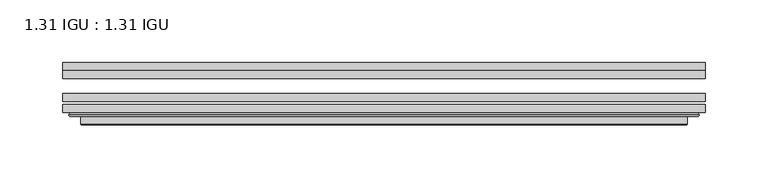
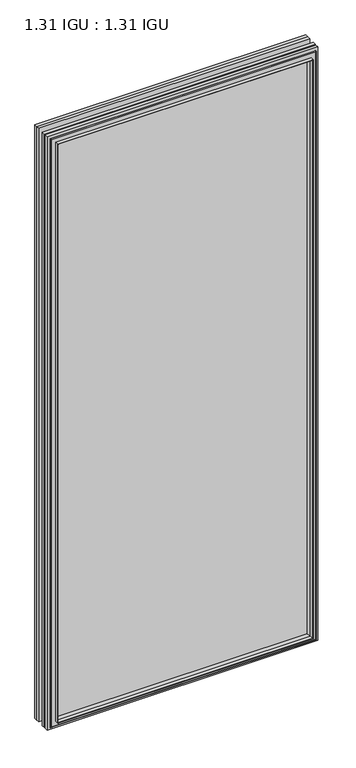
"""IFC4 building model written with IfcOpenShell, lengths in millimetres: plate geometry, 1.31 IGU : 1.31 IGU."""

from ifc_helpers import new_model, si_unit, frame, origin, place, context, project, spatial, polyline, ellipse_curve, outline, extrude, faceted_brep, source, transform, mapped, element, save
from ifc_brep_helpers import plane_surface, cylinder_surface, advanced_brep


def plate_1_31_igu_1_31_igu_b7203710(model_context):
    return source(origin(), model_context, "Body", "SolidModel", [
        extrude(outline(polyline([(255.601675, -66.4725937), (255.601675, -72.8225938), (-255.5875, -72.8225938), (-255.5875, -66.4725937), (255.601675, -66.4725937)])), frame((0.0, 0.0, -14.2875), z_axis=(0.0, 0.0, 1.0), x_axis=(1.0, 0.0, 0.0)), (0.0, 0.0, 1.0), 1184.2787979),
        extrude(outline(polyline([(-255.5875, -81.4585938), (-255.5875, -75.1080887), (255.601675, -75.1080887), (255.601675, -81.4585938), (-255.5875, -81.4585938)])), frame((0.0, 0.0, -14.2875), z_axis=(0.0, 0.0, 1.0), x_axis=(1.0, 0.0, 0.0)), (0.0, 0.0, 1.0), 1184.2787979),
        extrude(outline(polyline([(255.601675, -48.1337937), (255.601675, -54.4837938), (-255.5875, -54.4837938), (-255.5875, -48.1337937), (255.601675, -48.1337937)])), frame((0.0, 0.0, -14.2875), z_axis=(0.0, 0.0, 1.0), x_axis=(1.0, 0.0, 0.0)), (0.0, 0.0, 1.0), 1184.2787979),
        faceted_brep([(-241.2946902, -41.7837938, 1155.6946902), (-240.4022559, -48.1337937, 1154.8022559), (-240.4022559, -48.1337937, 0.8977441), (-241.2946902, -41.7837938, 0.0053098), (-255.6002, -48.1337937, 1170.0002), (-255.6002, -41.7837938, 1170.0002), (-255.6002, -41.7837938, -14.3002), (-255.6002, -48.1337937, -14.3002), (240.4022559, -48.1337937, 0.8977441), (241.2946902, -41.7837938, 0.0053098), (255.6002, -41.7837938, -14.3002), (255.6002, -48.1337937, -14.3002), (240.4022559, -48.1337937, 1154.8022559), (241.2946902, -41.7837938, 1155.6946902), (255.6002, -41.7837938, 1170.0002), (255.6002, -48.1337937, 1170.0002)], [[[0, 1, 2, 3]], [[4, 5, 6, 7]], [[3, 2, 8, 9]], [[7, 6, 10, 11]], [[9, 8, 12, 13]], [[11, 10, 14, 15]], [[7, 11, 15, 4], [1, 12, 8, 2]], [[13, 12, 1, 0]], [[5, 14, 10, 6], [3, 9, 13, 0]], [[15, 14, 5, 4]]]),
        advanced_brep(
        [(-249.6986349, -84.6335938, 1164.0986349), (-250.7004244, -83.4482604, 1165.1004244), (-250.7004244, -83.4482604, -9.4004244), (-249.6986349, -84.6335938, -8.3986349), (-241.2945784, -91.0948368, 1155.6945784), (-241.2945784, -84.6335938, 1155.6945784), (-241.2945784, -84.6335938, 0.0054216), (-241.2945784, -91.0948368, 0.0054216), (-240.3039217, -90.6958619, 1154.7039217), (-240.3039217, -90.6958619, 0.9960783), (-239.2718939, -85.2986307, 1153.6718939), (-239.2718939, -85.2986307, 2.0281061), (-234.3370621, -81.4585938, 1148.7370621), (-234.3370621, -81.4585938, 6.9629379), (-248.346219, -81.4585938, 1162.746219), (-248.346219, -81.4585938, -7.046219), (250.7004244, -83.4482604, -9.4004244), (249.6986349, -84.6335938, -8.3986349), (241.2945784, -84.6335938, 0.0054216), (241.2945784, -91.0948368, 0.0054216), (240.3039217, -90.6958619, 0.9960783), (239.2718939, -85.2986307, 2.0281061), (234.3370621, -81.4585938, 6.9629379), (248.346219, -81.4585938, -7.046219), (250.7004244, -83.4482604, 1165.1004244), (249.6986349, -84.6335938, 1164.0986349), (241.2945784, -84.6335938, 1155.6945784), (241.2945784, -91.0948368, 1155.6945784), (240.3039217, -90.6958619, 1154.7039217), (239.2718939, -85.2986307, 1153.6718939), (234.3370621, -81.4585938, 1148.7370621), (248.346219, -81.4585938, 1162.746219)],
        [
            (0, 1, ellipse_curve(frame((-249.6986349, -83.6175938, 1164.0986349), z_axis=(-0.7071067811865475, 0.0, -0.7071067811865475), x_axis=(-0.7071067811865474, 0.0, 0.7071067811865476)), 1.436841, 1.016)),
            (1, 2),
            (2, 3, ellipse_curve(frame((-249.6986349, -83.6175938, -8.3986349), z_axis=(-0.7071067811865475, 0.0, 0.7071067811865475), x_axis=(0.7071067811865474, 0.0, 0.7071067811865476)), 1.436841, 1.016)),
            (3, 0),
            (4, 5),
            (5, 6),
            (6, 7),
            (7, 4),
            (8, 4, ellipse_curve(frame((-240.9276219, -90.5766015, 1155.3276219), z_axis=(-0.7071067811865475, 0.0, -0.7071067811865475), x_axis=(-0.7071067811865474, 0.0, 0.7071067811865476)), 0.8980256, 0.635)),
            (7, 9, ellipse_curve(frame((-240.9276219, -90.5766015, 0.3723781), z_axis=(-0.7071067811865475, 0.0, 0.7071067811865475), x_axis=(0.7071067811865474, 0.0, 0.7071067811865476)), 0.8980256, 0.635)),
            (9, 8),
            (10, 8),
            (9, 11),
            (11, 10),
            (12, 10),
            (11, 13),
            (13, 12),
            (1, 14, ellipse_curve(frame((-248.346219, -83.8461938, 1162.746219), z_axis=(-0.7071067811865475, 0.0, -0.7071067811865475), x_axis=(-0.7071067811865474, 0.0, 0.7071067811865476)), 3.3765763, 2.3876)),
            (14, 15),
            (15, 2, ellipse_curve(frame((-248.346219, -83.8461938, -7.046219), z_axis=(-0.7071067811865475, 0.0, 0.7071067811865475), x_axis=(0.7071067811865474, 0.0, 0.7071067811865476)), 3.3765763, 2.3876)),
            (2, 16),
            (16, 17, ellipse_curve(frame((249.6986349, -83.6175938, -8.3986349), z_axis=(-0.7071067811865475, 0.0, -0.7071067811865475), x_axis=(-0.7071067811865476, 0.0, 0.7071067811865474)), 1.436841, 1.016)),
            (17, 3),
            (6, 18),
            (18, 19),
            (19, 7),
            (19, 20, ellipse_curve(frame((240.9276219, -90.5766015, 0.3723781), z_axis=(-0.7071067811865475, 0.0, -0.7071067811865475), x_axis=(-0.7071067811865476, 0.0, 0.7071067811865474)), 0.8980256, 0.635)),
            (20, 9),
            (20, 21),
            (21, 11),
            (21, 22),
            (22, 13),
            (15, 23),
            (23, 16, ellipse_curve(frame((248.346219, -83.8461938, -7.046219), z_axis=(-0.7071067811865475, 0.0, -0.7071067811865475), x_axis=(-0.7071067811865476, 0.0, 0.7071067811865474)), 3.3765763, 2.3876)),
            (16, 24),
            (24, 25, ellipse_curve(frame((249.6986349, -83.6175938, 1164.0986349), z_axis=(0.7071067811865475, 0.0, -0.7071067811865475), x_axis=(-0.7071067811865474, 0.0, -0.7071067811865476)), 1.436841, 1.016)),
            (25, 17),
            (18, 26),
            (26, 27),
            (27, 19),
            (27, 28, ellipse_curve(frame((240.9276219, -90.5766015, 1155.3276219), z_axis=(0.7071067811865475, 0.0, -0.7071067811865475), x_axis=(-0.7071067811865474, 0.0, -0.7071067811865476)), 0.8980256, 0.635)),
            (28, 20),
            (28, 29),
            (29, 21),
            (29, 30),
            (30, 22),
            (23, 31),
            (31, 24, ellipse_curve(frame((248.346219, -83.8461938, 1162.746219), z_axis=(0.7071067811865475, 0.0, -0.7071067811865475), x_axis=(-0.7071067811865474, 0.0, -0.7071067811865476)), 3.3765763, 2.3876)),
            (24, 1),
            (0, 25),
            (5, 26),
            (4, 27),
            (8, 28),
            (10, 29),
            (12, 30),
            (14, 31),
        ],
        [
            cylinder_surface(frame((-249.6986349, -83.6175938, 1187.45), z_axis=(0.0, 0.0, 1.0), x_axis=(-1.0, 0.0, 0.0)), 1.016),
            plane_surface(frame((-241.2945784, -84.6335938, 1155.6945784), z_axis=(-1.0, 0.0, 0.0), x_axis=(0.0, 0.0, -1.0))),
            cylinder_surface(frame((-240.9276219, -90.5766015, 1187.45), z_axis=(0.0, 0.0, 1.0), x_axis=(-1.0, 0.0, 0.0)), 0.635),
            plane_surface(frame((-240.3039217, -90.6958619, 1154.7039217), z_axis=(0.9822050625507717, -0.1878116479338675, 0.0), x_axis=(0.0, 0.0, -1.0))),
            plane_surface(frame((-239.2718939, -85.2986307, 1153.6718939), z_axis=(0.6141233906514726, -0.7892100234124875, 0.0), x_axis=(0.0, 0.0, -1.0))),
            cylinder_surface(frame((-248.346219, -83.8461938, 1187.45), z_axis=(0.0, 0.0, 1.0), x_axis=(-1.0, 0.0, 0.0)), 2.3876),
            cylinder_surface(frame((-273.05, -83.6175938, -8.3986349), z_axis=(-1.0, 0.0, 0.0), x_axis=(0.0, 0.0, -1.0)), 1.016),
            plane_surface(frame((-241.2945784, -84.6335938, 0.0054216), z_axis=(0.0, 0.0, -1.0), x_axis=(1.0, 0.0, 0.0))),
            cylinder_surface(frame((-273.05, -90.5766015, 0.3723781), z_axis=(-1.0, 0.0, 0.0), x_axis=(0.0, 0.0, -1.0)), 0.635),
            plane_surface(frame((-240.3039217, -90.6958619, 0.9960783), z_axis=(0.0, -0.18781164793386435, 0.9822050625507722), x_axis=(1.0, 0.0, 0.0))),
            plane_surface(frame((-239.2718939, -85.2986307, 2.0281061), z_axis=(0.0, -0.7892100234124855, 0.6141233906514751), x_axis=(1.0, 0.0, 0.0))),
            cylinder_surface(frame((-273.05, -83.8461938, -7.046219), z_axis=(-1.0, 0.0, 0.0), x_axis=(0.0, 0.0, -1.0)), 2.3876),
            cylinder_surface(frame((249.6986349, -83.6175938, -31.75), z_axis=(0.0, 0.0, -1.0), x_axis=(1.0, 0.0, 0.0)), 1.016),
            plane_surface(frame((241.2945784, -84.6335938, 0.0054216), z_axis=(1.0, 0.0, 0.0), x_axis=(0.0, 0.0, 1.0))),
            cylinder_surface(frame((240.9276219, -90.5766015, -31.75), z_axis=(0.0, 0.0, -1.0), x_axis=(1.0, 0.0, 0.0)), 0.635),
            plane_surface(frame((240.3039217, -90.6958619, 0.9960783), z_axis=(-0.9822050625507728, -0.18781164793386118, 0.0), x_axis=(0.0, 0.0, 1.0))),
            plane_surface(frame((239.2718939, -85.2986307, 2.0281061), z_axis=(-0.6141233906514777, -0.7892100234124835, 0.0), x_axis=(0.0, 0.0, 1.0))),
            cylinder_surface(frame((248.346219, -83.8461938, -31.75), z_axis=(0.0, 0.0, -1.0), x_axis=(1.0, 0.0, 0.0)), 2.3876),
            cylinder_surface(frame((273.05, -83.6175938, 1164.0986349), z_axis=(1.0, 0.0, 0.0), x_axis=(0.0, 0.0, 1.0)), 1.016),
            plane_surface(frame((249.6986349, -84.6335938, 1164.0986349), z_axis=(0.0, -1.0, 0.0), x_axis=(-1.0, 0.0, 0.0))),
            plane_surface(frame((241.2945784, -84.6335938, 1155.6945784), z_axis=(0.0, 0.0, 1.0), x_axis=(-1.0, 0.0, 0.0))),
            cylinder_surface(frame((273.05, -90.5766015, 1155.3276219), z_axis=(1.0, 0.0, 0.0), x_axis=(0.0, 0.0, 1.0)), 0.635),
            plane_surface(frame((240.3039217, -90.6958619, 1154.7039217), z_axis=(0.0, -0.18781164793386435, -0.9822050625507722), x_axis=(-1.0, 0.0, 0.0))),
            plane_surface(frame((239.2718939, -85.2986307, 1153.6718939), z_axis=(0.0, -0.7892100234124855, -0.6141233906514751), x_axis=(-1.0, 0.0, 0.0))),
            plane_surface(frame((234.3370621, -81.4585938, 1148.7370621), z_axis=(0.0, 1.0, 0.0), x_axis=(-1.0, 0.0, 0.0))),
            cylinder_surface(frame((273.05, -83.8461938, 1162.746219), z_axis=(1.0, 0.0, 0.0), x_axis=(0.0, 0.0, 1.0)), 2.3876),
        ],
        [
            (0, [[1, 2, 3, 4]]),
            (1, [[5, 6, 7, 8]]),
            (2, [[9, -8, 10, 11]]),
            (3, [[12, -11, 13, 14]]),
            (4, [[15, -14, 16, 17]]),
            (5, [[18, 19, 20, -2]]),
            (6, [[-3, 21, 22, 23]]),
            (7, [[-7, 24, 25, 26]]),
            (8, [[-10, -26, 27, 28]]),
            (9, [[-13, -28, 29, 30]]),
            (10, [[-16, -30, 31, 32]]),
            (11, [[-20, 33, 34, -21]]),
            (12, [[-22, 35, 36, 37]]),
            (13, [[-25, 38, 39, 40]]),
            (14, [[-27, -40, 41, 42]]),
            (15, [[-29, -42, 43, 44]]),
            (16, [[-31, -44, 45, 46]]),
            (17, [[-34, 47, 48, -35]]),
            (18, [[-36, 49, -1, 50]]),
            (19, [[-23, -37, -50, -4], [51, -38, -24, -6]]),
            (20, [[-39, -51, -5, 52]]),
            (21, [[-41, -52, -9, 53]]),
            (22, [[-43, -53, -12, 54]]),
            (23, [[-45, -54, -15, 55]]),
            (24, [[56, -47, -33, -19], [-32, -46, -55, -17]]),
            (25, [[-48, -56, -18, -49]]),
        ],
    ),
    ])


if __name__ == "__main__":
    model = new_model("IFC4")
    model_context = context("Model", 3, world=origin())
    ifc_project = project(units=[si_unit("LENGTHUNIT", "METRE", prefix="MILLI")], contexts=[model_context])
    site = spatial("IfcSite", under=ifc_project)
    building = spatial("IfcBuilding", under=site)
    placement = place(None, origin())
    plate_1_31_igu_1_31_igu_shape = plate_1_31_igu_1_31_igu_b7203710(model_context)
    element("IfcPlate", 1, ObjectType="1.31 IGU : 1.31 IGU", at=placement, inside=building, context=model_context, shape_type="MappedRepresentation", body=[
        mapped(plate_1_31_igu_1_31_igu_shape, transform((0.0, 0.0, 0.0), x_axis=(1.0, 0.0, 0.0), y_axis=(0.0, 1.0, 0.0), z_axis=(0.0, 0.0, 1.0))),
    ])
    save(model, "model.ifc")
